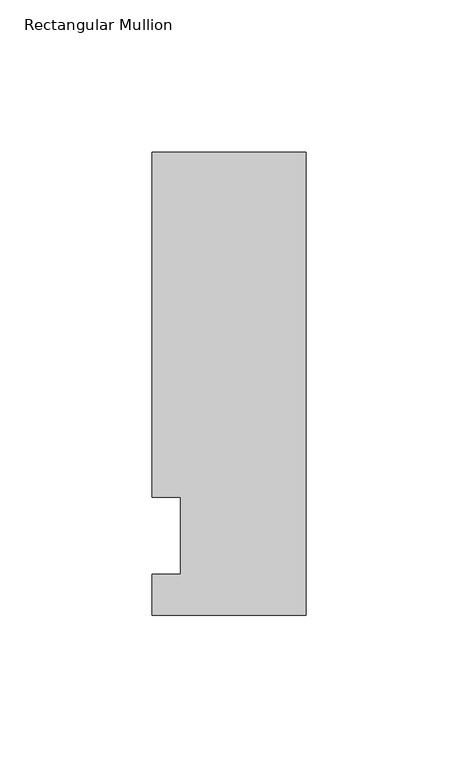
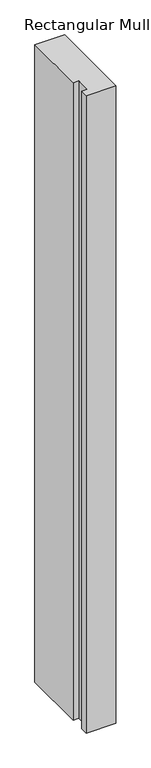
"""IFC4 building model written with IfcOpenShell, lengths in millimetres: member geometry, Rectangular Mullion."""

import ifcopenshell
import ifcopenshell.guid

model = None  # the IFC model being written
_history = None  # IfcOwnerHistory: only IFC2X3 demands one
_inside = {}  # id of a spatial element -> (the spatial element, [elements in it])
_under = {}  # id of a project, library or spatial element -> (it, [spatial elements below it])
_declared = {}  # id of a project -> (the project, [libraries it declares])
_typed = {}  # id of a type object -> (the type object, [elements of that type])
_made_of = {}  # id of a material, layer set ... -> (it, [elements and type objects made of it])


def new_model(schema):
    """Start an empty IFC model of exactly this schema.

    Asked for "IFC4X3", IfcOpenShell would pick the latest addendum, in which some entities
    have other attributes; the version numbers below select the first issue.
    IFC2X3 requires an IfcOwnerHistory on every rooted entity: one is made here for all.
    """
    global model, _history
    if schema == "IFC4X3":
        model = ifcopenshell.file(schema_version=(4, 3, 0, 0))
    else:
        model = ifcopenshell.file(schema=schema)
    _inside.clear()
    _under.clear()
    _declared.clear()
    _typed.clear()
    _made_of.clear()
    _history = None
    if model.schema == "IFC2X3":
        org = make("IfcOrganization", Name="unknown")
        user = make(
            "IfcPersonAndOrganization",
            ThePerson=make("IfcPerson", FamilyName="unknown"),
            TheOrganization=org,
        )
        app = make(
            "IfcApplication",
            ApplicationDeveloper=org,
            Version="unknown",
            ApplicationFullName="unknown",
            ApplicationIdentifier="unknown",
        )
        _history = make(
            "IfcOwnerHistory",
            OwningUser=user,
            OwningApplication=app,
            ChangeAction="ADDED",
            CreationDate=0,
        )
    return model


def make(cls, **values):
    """One entity of the class cls with the attributes given. An attribute that is None is left unset."""
    return model.create_entity(
        cls, **{name: value for name, value in values.items() if value is not None}
    )


def rooted(cls, **values):
    """An entity with a GlobalId (a new one), such as an element, a storey or a relation."""
    return make(cls, GlobalId=ifcopenshell.guid.new(), OwnerHistory=_history, **values)


def si_unit(unit_type, name, prefix=None):
    """IfcSIUnit, for example si_unit("LENGTHUNIT", "METRE", prefix="MILLI")."""
    return make("IfcSIUnit", UnitType=unit_type, Prefix=prefix, Name=name)


def assignment(units):
    """IfcUnitAssignment: the units of a project."""
    return None if units is None else make("IfcUnitAssignment", Units=units)


def point(xyz):
    """IfcCartesianPoint."""
    return None if xyz is None else make("IfcCartesianPoint", Coordinates=xyz)


def direction(xyz):
    """IfcDirection."""
    return None if xyz is None else make("IfcDirection", DirectionRatios=xyz)


def frame(location, z_axis=None, x_axis=None):
    """IfcAxis2Placement3D, a coordinate frame: its origin and axes. An axis left out is left unset."""
    return make(
        "IfcAxis2Placement3D",
        Location=point(location),
        Axis=direction(z_axis),
        RefDirection=direction(x_axis),
    )


def origin():
    """The frame at (0, 0, 0) with its axes left unset."""
    return frame((0.0, 0.0, 0.0))


def place(relative_to, where):
    """IfcLocalPlacement: puts the frame where relative to a parent placement (None: the world)."""
    return make(
        "IfcLocalPlacement", PlacementRelTo=relative_to, RelativePlacement=where
    )


def context(
    kind, dimensions, precision=None, world=None, true_north=None, identifier=None
):
    """IfcGeometricRepresentationContext, for example the 3D "Model" context."""
    return make(
        "IfcGeometricRepresentationContext",
        ContextIdentifier=identifier,
        ContextType=kind,
        CoordinateSpaceDimension=dimensions,
        Precision=precision,
        WorldCoordinateSystem=world,
        TrueNorth=true_north,
    )


def project(units=None, contexts=None):
    """IfcProject with its units and contexts."""
    return rooted(
        "IfcProject",
        Name="project",
        RepresentationContexts=contexts,
        UnitsInContext=assignment(units),
    )


def spatial(cls, under=None, at=None, **own):
    """A site, building, storey or space (cls), placed at a placement, below another one or the project."""
    s = rooted(cls, ObjectPlacement=at, **own)
    if under is not None:
        _under.setdefault(under.id(), (under, []))[1].append(s)
    return s


def polyline(points):
    """IfcPolyline through the points."""
    return make("IfcPolyline", Points=[point(p) for p in points])


def outline(outer, holes=None, kind="AREA"):
    """IfcArbitraryClosedProfileDef: a profile drawn as a closed curve; with holes, ...WithVoids."""
    if holes is None:
        return make("IfcArbitraryClosedProfileDef", ProfileType=kind, OuterCurve=outer)
    return make(
        "IfcArbitraryProfileDefWithVoids",
        ProfileType=kind,
        OuterCurve=outer,
        InnerCurves=holes,
    )


def extrude(swept, where, along, depth):
    """IfcExtrudedAreaSolid: the profile swept, set in the frame where, extruded along a direction by depth."""
    return make(
        "IfcExtrudedAreaSolid",
        SweptArea=swept,
        Position=where,
        ExtrudedDirection=direction(along),
        Depth=depth,
    )


def shape(context_of_items, identifier, shape_type, items):
    """IfcShapeRepresentation: the items that make up one representation, for example the "Body"."""
    return make(
        "IfcShapeRepresentation",
        ContextOfItems=context_of_items,
        RepresentationIdentifier=identifier,
        RepresentationType=shape_type,
        Items=items,
    )


def source(mapping_origin, context_of_items, identifier, shape_type, items):
    """IfcRepresentationMap: a shape defined once, which mapped items show again and again."""
    return make(
        "IfcRepresentationMap",
        MappingOrigin=mapping_origin,
        MappedRepresentation=shape(context_of_items, identifier, shape_type, items),
    )


def transform(
    local_origin,
    x_axis=None,
    y_axis=None,
    z_axis=None,
    scale=None,
    scale2=None,
    scale3=None,
    uniform=True,
):
    """IfcCartesianTransformationOperator3D, or its non-uniform kind. x_axis, y_axis, z_axis: its Axis1, 2, 3."""
    if uniform:
        return make(
            "IfcCartesianTransformationOperator3D",
            Axis1=direction(x_axis),
            Axis2=direction(y_axis),
            LocalOrigin=point(local_origin),
            Scale=scale,
            Axis3=direction(z_axis),
        )
    return make(
        "IfcCartesianTransformationOperator3DnonUniform",
        Axis1=direction(x_axis),
        Axis2=direction(y_axis),
        LocalOrigin=point(local_origin),
        Scale=scale,
        Axis3=direction(z_axis),
        Scale2=scale2,
        Scale3=scale3,
    )


def mapped(mapping_source, mapping_target):
    """IfcMappedItem: shows the shape of a source again, moved by a transform."""
    return make(
        "IfcMappedItem", MappingSource=mapping_source, MappingTarget=mapping_target
    )


def made_of(thing, what):
    """Note that an element or type object is made of a material, layer set ...; save() writes the relation."""
    if what is not None:
        _made_of.setdefault(what.id(), (what, []))[1].append(thing)
    return thing


def element(
    cls,
    number,
    at=None,
    inside=None,
    cuts=None,
    type_object=None,
    material=None,
    context=None,
    identifier="Body",
    shape_type=None,
    held_by="IfcProductDefinitionShape",
    body=None,
    shapes=None,
    **own,
):
    """One element of the class cls, such as IfcWall. Its Tag is "e" and its number.

    at: its placement. inside: the storey or other place that contains it. cuts: it is an
    opening in that element (IfcRelVoidsElement). A single representation is given by context,
    identifier, shape_type and body (its items); several are given by shapes. held_by: the class
    of the entity that holds the representations. save() writes the other relations.
    """
    e = rooted(cls, Tag="e%d" % number, ObjectPlacement=at, **own)
    if body is not None:
        shapes = [shape(context, identifier, shape_type, body)]
    if shapes is not None:
        e.Representation = make(held_by, Representations=shapes)
    if inside is not None:
        _inside.setdefault(inside.id(), (inside, []))[1].append(e)
    if cuts is not None:
        rooted(
            "IfcRelVoidsElement", RelatingBuildingElement=cuts, RelatedOpeningElement=e
        )
    if type_object is not None:
        _typed.setdefault(type_object.id(), (type_object, []))[1].append(e)
    return made_of(e, material)


def aggregate(whole, parts):
    """IfcRelAggregates: a whole, such as a stair, and the parts it consists of."""
    return rooted("IfcRelAggregates", RelatingObject=whole, RelatedObjects=parts)


def save(model, path):
    """Write the relations noted so far, then the file.

    IfcRelAggregates (storeys below a building ...), IfcRelContainedInSpatialStructure (elements
    in a storey), IfcRelDefinesByType, IfcRelAssociatesMaterial and IfcRelDeclares: one each for
    every whole, place, type object, material and project.
    """
    for whole, parts in _under.values():
        aggregate(whole, parts)
    for where, things in _inside.values():
        rooted(
            "IfcRelContainedInSpatialStructure",
            RelatedElements=things,
            RelatingStructure=where,
        )
    for kind, things in _typed.values():
        rooted("IfcRelDefinesByType", RelatedObjects=things, RelatingType=kind)
    for what, things in _made_of.values():
        rooted("IfcRelAssociatesMaterial", RelatedObjects=things, RelatingMaterial=what)
    for by, libraries in _declared.values():
        rooted("IfcRelDeclares", RelatingContext=by, RelatedDefinitions=libraries)
    model.write(path)


def rectangular_mullion_a893cc54(model_context):
    return source(origin(), model_context, "Body", "SweptSolid", [
        extrude(outline(polyline([(0.0, -26.19375), (-50.8, -26.19375), (-50.8, -12.7), (-41.275, -12.7), (-41.275, 12.7), (-50.8, 12.7), (-50.8, 126.20625), (0.0, 126.20625), (0.0, -26.19375)])), frame((0.0, 0.0, -1155.7), z_axis=(0.0, 0.0, 1.0), x_axis=(1.0, 0.0, 0.0)), (0.0, 0.0, 1.0), 1155.7),
    ])


if __name__ == "__main__":
    model = new_model("IFC4")
    model_context = context("Model", 3, world=origin())
    ifc_project = project(units=[si_unit("LENGTHUNIT", "METRE", prefix="MILLI")], contexts=[model_context])
    site = spatial("IfcSite", under=ifc_project)
    building = spatial("IfcBuilding", under=site)
    placement = place(None, origin())
    rectangular_mullion_shape = rectangular_mullion_a893cc54(model_context)
    element("IfcMember", 1, ObjectType="Rectangular Mullion", at=placement, inside=building, context=model_context, shape_type="MappedRepresentation", body=[
        mapped(rectangular_mullion_shape, transform((0.0, 0.0, 0.0), x_axis=(1.0, 0.0, 0.0), y_axis=(0.0, 1.0, 0.0), z_axis=(0.0, 0.0, 1.0))),
    ])
    save(model, "model.ifc")
